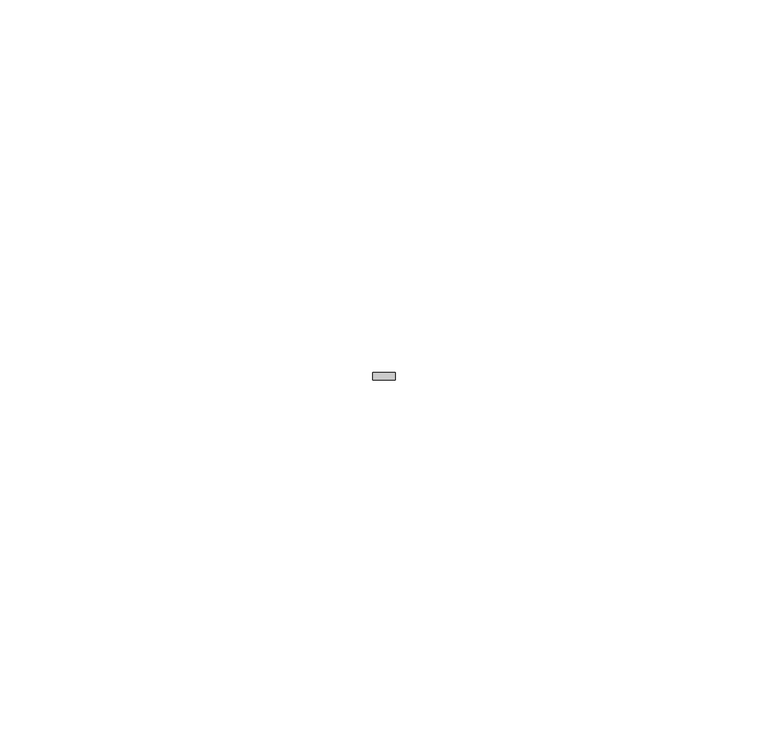
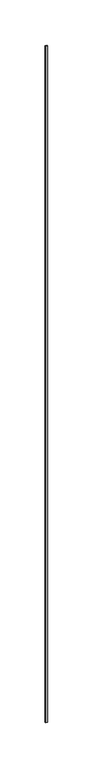
"""IFC4 building model written with IfcOpenShell, lengths in millimetres: member geometry."""

from ifc_helpers import new_model, si_unit, frame, origin, place, context, project, spatial, polyline, outline, extrude, source, transform, mapped, element, save


def member_7c4a33a9(model_context):
    return source(origin(), model_context, "Body", "SweptSolid", [
        extrude(outline(polyline([(0.0, -6.0), (0.0, -7.0), (-3.0, -7.0), (-3.0, -6.0), (0.0, -6.0)])), frame((0.0, 0.0, -915.0), z_axis=(0.0, 0.0, 1.0), x_axis=(1.0, 0.0, 0.0)), (0.0, 0.0, 1.0), 915.0),
    ])


if __name__ == "__main__":
    model = new_model("IFC4")
    model_context = context("Model", 3, world=origin())
    ifc_project = project(units=[si_unit("LENGTHUNIT", "METRE", prefix="MILLI")], contexts=[model_context])
    site = spatial("IfcSite", under=ifc_project)
    building = spatial("IfcBuilding", under=site)
    placement = place(None, origin())
    member_shape = member_7c4a33a9(model_context)
    element("IfcMember", 1, at=placement, inside=building, context=model_context, shape_type="MappedRepresentation", body=[
        mapped(member_shape, transform((0.0, 0.0, 0.0), x_axis=(1.0, 0.0, 0.0), y_axis=(0.0, 1.0, 0.0), z_axis=(0.0, 0.0, 1.0))),
    ])
    save(model, "model.ifc")
